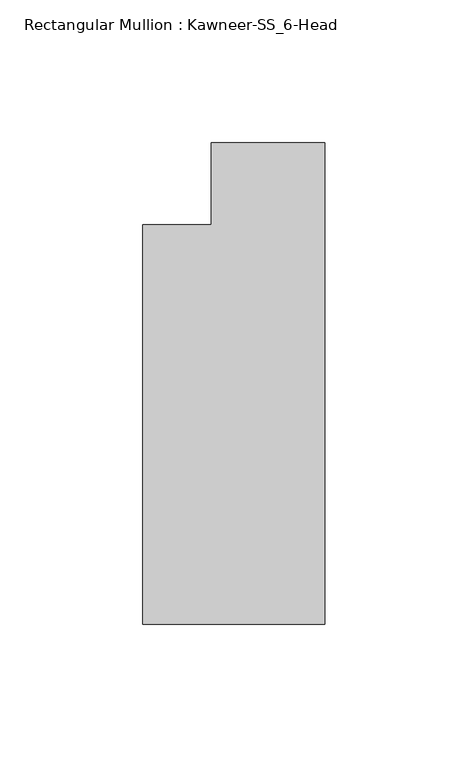
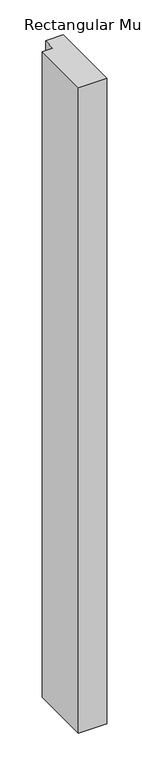
"""IFC4 building model written with IfcOpenShell, lengths in millimetres: member geometry, Rectangular Mullion : Kawneer-SS_6-Head."""

from ifc_helpers import new_model, si_unit, frame, origin, place, context, project, spatial, polyline, outline, extrude, source, transform, mapped, element, save


def rectangular_mullion_kawneer_ss_6_head_ceecb8e1(model_context):
    return source(origin(), model_context, "Body", "SweptSolid", [
        extrude(outline(polyline([(-63.5, -153.9875), (-63.5, -14.2875), (-39.6875, -14.2875), (-39.6875, 14.2875), (0.0, 14.2875), (0.0, -153.9875), (-63.5, -153.9875)])), frame((0.0, 0.0, -1524.0), z_axis=(0.0, 0.0, 1.0), x_axis=(1.0, 0.0, 0.0)), (0.0, 0.0, 1.0), 1524.0),
    ])


if __name__ == "__main__":
    model = new_model("IFC4")
    model_context = context("Model", 3, world=origin())
    ifc_project = project(units=[si_unit("LENGTHUNIT", "METRE", prefix="MILLI")], contexts=[model_context])
    site = spatial("IfcSite", under=ifc_project)
    building = spatial("IfcBuilding", under=site)
    placement = place(None, origin())
    rectangular_mullion_kawneer_ss_6_head_shape = rectangular_mullion_kawneer_ss_6_head_ceecb8e1(model_context)
    element("IfcMember", 1, ObjectType="Rectangular Mullion : Kawneer-SS_6-Head", at=placement, inside=building, context=model_context, shape_type="MappedRepresentation", body=[
        mapped(rectangular_mullion_kawneer_ss_6_head_shape, transform((0.0, 0.0, 0.0), x_axis=(1.0, 0.0, 0.0), y_axis=(0.0, 1.0, 0.0), z_axis=(0.0, 0.0, 1.0))),
    ])
    save(model, "model.ifc")
